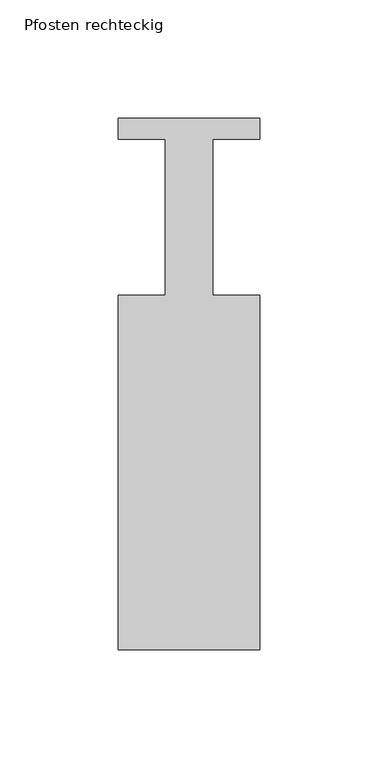
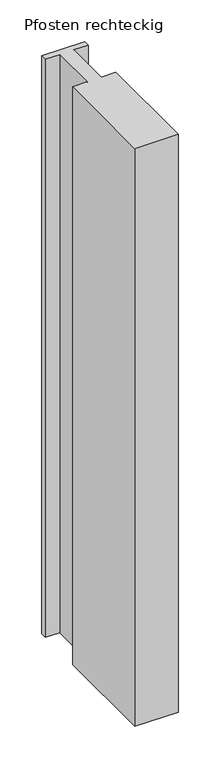
"""IFC4 building model written with IfcOpenShell, lengths in millimetres: member geometry, Pfosten rechteckig."""

from ifc_helpers import new_model, si_unit, frame, origin, place, context, project, spatial, polyline, outline, extrude, source, transform, mapped, element, save


def pfosten_rechteckig_4397cb56(model_context):
    return source(origin(), model_context, "Body", "SweptSolid", [
        extrude(outline(polyline([(30.0, 9.0), (30.0, 0.0), (10.0, 0.0), (10.0, -66.0), (30.0, -66.0), (30.0, -216.0), (-30.0, -216.0), (-30.0, -66.0), (-10.0, -66.0), (-10.0, 0.0), (-30.0, 0.0), (-30.0, 9.0), (30.0, 9.0)])), frame((0.0, 0.0, -850.0), z_axis=(0.0, 0.0, 1.0), x_axis=(1.0, 0.0, 0.0)), (0.0, 0.0, 1.0), 850.0),
    ])


if __name__ == "__main__":
    model = new_model("IFC4")
    model_context = context("Model", 3, world=origin())
    ifc_project = project(units=[si_unit("LENGTHUNIT", "METRE", prefix="MILLI")], contexts=[model_context])
    site = spatial("IfcSite", under=ifc_project)
    building = spatial("IfcBuilding", under=site)
    placement = place(None, origin())
    pfosten_rechteckig_shape = pfosten_rechteckig_4397cb56(model_context)
    element("IfcMember", 1, ObjectType="Pfosten rechteckig", at=placement, inside=building, context=model_context, shape_type="MappedRepresentation", body=[
        mapped(pfosten_rechteckig_shape, transform((0.0, 0.0, 0.0), x_axis=(1.0, 0.0, 0.0), y_axis=(0.0, 1.0, 0.0), z_axis=(0.0, 0.0, 1.0))),
    ])
    save(model, "model.ifc")
